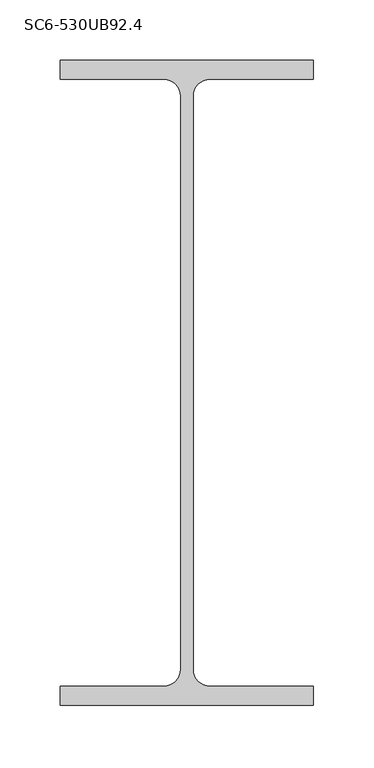
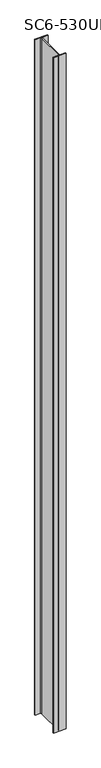
"""IFC4 building model written with IfcOpenShell, lengths in millimetres: column geometry, SC6-530UB92.4."""

import ifcopenshell
import ifcopenshell.guid

model = None  # the IFC model being written
_history = None  # IfcOwnerHistory: only IFC2X3 demands one
_inside = {}  # id of a spatial element -> (the spatial element, [elements in it])
_under = {}  # id of a project, library or spatial element -> (it, [spatial elements below it])
_declared = {}  # id of a project -> (the project, [libraries it declares])
_typed = {}  # id of a type object -> (the type object, [elements of that type])
_made_of = {}  # id of a material, layer set ... -> (it, [elements and type objects made of it])


def new_model(schema):
    """Start an empty IFC model of exactly this schema.

    Asked for "IFC4X3", IfcOpenShell would pick the latest addendum, in which some entities
    have other attributes; the version numbers below select the first issue.
    IFC2X3 requires an IfcOwnerHistory on every rooted entity: one is made here for all.
    """
    global model, _history
    if schema == "IFC4X3":
        model = ifcopenshell.file(schema_version=(4, 3, 0, 0))
    else:
        model = ifcopenshell.file(schema=schema)
    _inside.clear()
    _under.clear()
    _declared.clear()
    _typed.clear()
    _made_of.clear()
    _history = None
    if model.schema == "IFC2X3":
        org = make("IfcOrganization", Name="unknown")
        user = make(
            "IfcPersonAndOrganization",
            ThePerson=make("IfcPerson", FamilyName="unknown"),
            TheOrganization=org,
        )
        app = make(
            "IfcApplication",
            ApplicationDeveloper=org,
            Version="unknown",
            ApplicationFullName="unknown",
            ApplicationIdentifier="unknown",
        )
        _history = make(
            "IfcOwnerHistory",
            OwningUser=user,
            OwningApplication=app,
            ChangeAction="ADDED",
            CreationDate=0,
        )
    return model


def make(cls, **values):
    """One entity of the class cls with the attributes given. An attribute that is None is left unset."""
    return model.create_entity(
        cls, **{name: value for name, value in values.items() if value is not None}
    )


def rooted(cls, **values):
    """An entity with a GlobalId (a new one), such as an element, a storey or a relation."""
    return make(cls, GlobalId=ifcopenshell.guid.new(), OwnerHistory=_history, **values)


def si_unit(unit_type, name, prefix=None):
    """IfcSIUnit, for example si_unit("LENGTHUNIT", "METRE", prefix="MILLI")."""
    return make("IfcSIUnit", UnitType=unit_type, Prefix=prefix, Name=name)


def assignment(units):
    """IfcUnitAssignment: the units of a project."""
    return None if units is None else make("IfcUnitAssignment", Units=units)


def point(xyz):
    """IfcCartesianPoint."""
    return None if xyz is None else make("IfcCartesianPoint", Coordinates=xyz)


def direction(xyz):
    """IfcDirection."""
    return None if xyz is None else make("IfcDirection", DirectionRatios=xyz)


def frame(location, z_axis=None, x_axis=None):
    """IfcAxis2Placement3D, a coordinate frame: its origin and axes. An axis left out is left unset."""
    return make(
        "IfcAxis2Placement3D",
        Location=point(location),
        Axis=direction(z_axis),
        RefDirection=direction(x_axis),
    )


def frame_2d(location, x_axis=None):
    """IfcAxis2Placement2D, a coordinate frame in the plane: its origin and x axis."""
    return make(
        "IfcAxis2Placement2D", Location=point(location), RefDirection=direction(x_axis)
    )


def origin():
    """The frame at (0, 0, 0) with its axes left unset."""
    return frame((0.0, 0.0, 0.0))


def place(relative_to, where):
    """IfcLocalPlacement: puts the frame where relative to a parent placement (None: the world)."""
    return make(
        "IfcLocalPlacement", PlacementRelTo=relative_to, RelativePlacement=where
    )


def context(
    kind, dimensions, precision=None, world=None, true_north=None, identifier=None
):
    """IfcGeometricRepresentationContext, for example the 3D "Model" context."""
    return make(
        "IfcGeometricRepresentationContext",
        ContextIdentifier=identifier,
        ContextType=kind,
        CoordinateSpaceDimension=dimensions,
        Precision=precision,
        WorldCoordinateSystem=world,
        TrueNorth=true_north,
    )


def project(units=None, contexts=None):
    """IfcProject with its units and contexts."""
    return rooted(
        "IfcProject",
        Name="project",
        RepresentationContexts=contexts,
        UnitsInContext=assignment(units),
    )


def spatial(cls, under=None, at=None, **own):
    """A site, building, storey or space (cls), placed at a placement, below another one or the project."""
    s = rooted(cls, ObjectPlacement=at, **own)
    if under is not None:
        _under.setdefault(under.id(), (under, []))[1].append(s)
    return s


def polyline(points):
    """IfcPolyline through the points."""
    return make("IfcPolyline", Points=[point(p) for p in points])


def circle_curve(where, radius):
    """IfcCircle in the frame where."""
    return make("IfcCircle", Position=where, Radius=radius)


def trimmed(basis, trim1, trim2, sense, master):
    """IfcTrimmedCurve: the piece of a basis curve between two trims."""
    return make(
        "IfcTrimmedCurve",
        BasisCurve=basis,
        Trim1=trim1,
        Trim2=trim2,
        SenseAgreement=sense,
        MasterRepresentation=master,
    )


def segment(curve, same_sense, transition):
    """IfcCompositeCurveSegment."""
    return make(
        "IfcCompositeCurveSegment",
        Transition=transition,
        SameSense=same_sense,
        ParentCurve=curve,
    )


def composite_curve(segments, self_intersect=None):
    """IfcCompositeCurve: segments joined end to end."""
    return make("IfcCompositeCurve", Segments=segments, SelfIntersect=self_intersect)


def outline(outer, holes=None, kind="AREA"):
    """IfcArbitraryClosedProfileDef: a profile drawn as a closed curve; with holes, ...WithVoids."""
    if holes is None:
        return make("IfcArbitraryClosedProfileDef", ProfileType=kind, OuterCurve=outer)
    return make(
        "IfcArbitraryProfileDefWithVoids",
        ProfileType=kind,
        OuterCurve=outer,
        InnerCurves=holes,
    )


def extrude(swept, where, along, depth):
    """IfcExtrudedAreaSolid: the profile swept, set in the frame where, extruded along a direction by depth."""
    return make(
        "IfcExtrudedAreaSolid",
        SweptArea=swept,
        Position=where,
        ExtrudedDirection=direction(along),
        Depth=depth,
    )


def shape(context_of_items, identifier, shape_type, items):
    """IfcShapeRepresentation: the items that make up one representation, for example the "Body"."""
    return make(
        "IfcShapeRepresentation",
        ContextOfItems=context_of_items,
        RepresentationIdentifier=identifier,
        RepresentationType=shape_type,
        Items=items,
    )


def source(mapping_origin, context_of_items, identifier, shape_type, items):
    """IfcRepresentationMap: a shape defined once, which mapped items show again and again."""
    return make(
        "IfcRepresentationMap",
        MappingOrigin=mapping_origin,
        MappedRepresentation=shape(context_of_items, identifier, shape_type, items),
    )


def transform(
    local_origin,
    x_axis=None,
    y_axis=None,
    z_axis=None,
    scale=None,
    scale2=None,
    scale3=None,
    uniform=True,
):
    """IfcCartesianTransformationOperator3D, or its non-uniform kind. x_axis, y_axis, z_axis: its Axis1, 2, 3."""
    if uniform:
        return make(
            "IfcCartesianTransformationOperator3D",
            Axis1=direction(x_axis),
            Axis2=direction(y_axis),
            LocalOrigin=point(local_origin),
            Scale=scale,
            Axis3=direction(z_axis),
        )
    return make(
        "IfcCartesianTransformationOperator3DnonUniform",
        Axis1=direction(x_axis),
        Axis2=direction(y_axis),
        LocalOrigin=point(local_origin),
        Scale=scale,
        Axis3=direction(z_axis),
        Scale2=scale2,
        Scale3=scale3,
    )


def mapped(mapping_source, mapping_target):
    """IfcMappedItem: shows the shape of a source again, moved by a transform."""
    return make(
        "IfcMappedItem", MappingSource=mapping_source, MappingTarget=mapping_target
    )


def made_of(thing, what):
    """Note that an element or type object is made of a material, layer set ...; save() writes the relation."""
    if what is not None:
        _made_of.setdefault(what.id(), (what, []))[1].append(thing)
    return thing


def element(
    cls,
    number,
    at=None,
    inside=None,
    cuts=None,
    type_object=None,
    material=None,
    context=None,
    identifier="Body",
    shape_type=None,
    held_by="IfcProductDefinitionShape",
    body=None,
    shapes=None,
    **own,
):
    """One element of the class cls, such as IfcWall. Its Tag is "e" and its number.

    at: its placement. inside: the storey or other place that contains it. cuts: it is an
    opening in that element (IfcRelVoidsElement). A single representation is given by context,
    identifier, shape_type and body (its items); several are given by shapes. held_by: the class
    of the entity that holds the representations. save() writes the other relations.
    """
    e = rooted(cls, Tag="e%d" % number, ObjectPlacement=at, **own)
    if body is not None:
        shapes = [shape(context, identifier, shape_type, body)]
    if shapes is not None:
        e.Representation = make(held_by, Representations=shapes)
    if inside is not None:
        _inside.setdefault(inside.id(), (inside, []))[1].append(e)
    if cuts is not None:
        rooted(
            "IfcRelVoidsElement", RelatingBuildingElement=cuts, RelatedOpeningElement=e
        )
    if type_object is not None:
        _typed.setdefault(type_object.id(), (type_object, []))[1].append(e)
    return made_of(e, material)


def aggregate(whole, parts):
    """IfcRelAggregates: a whole, such as a stair, and the parts it consists of."""
    return rooted("IfcRelAggregates", RelatingObject=whole, RelatedObjects=parts)


def save(model, path):
    """Write the relations noted so far, then the file.

    IfcRelAggregates (storeys below a building ...), IfcRelContainedInSpatialStructure (elements
    in a storey), IfcRelDefinesByType, IfcRelAssociatesMaterial and IfcRelDeclares: one each for
    every whole, place, type object, material and project.
    """
    for whole, parts in _under.values():
        aggregate(whole, parts)
    for where, things in _inside.values():
        rooted(
            "IfcRelContainedInSpatialStructure",
            RelatedElements=things,
            RelatingStructure=where,
        )
    for kind, things in _typed.values():
        rooted("IfcRelDefinesByType", RelatedObjects=things, RelatingType=kind)
    for what, things in _made_of.values():
        rooted("IfcRelAssociatesMaterial", RelatedObjects=things, RelatingMaterial=what)
    for by, libraries in _declared.values():
        rooted("IfcRelDeclares", RelatingContext=by, RelatedDefinitions=libraries)
    model.write(path)


def sc6_530ub92_4_6fdf6d6e(model_context):
    return source(origin(), model_context, "Body", "SweptSolid", [
        extrude(outline(composite_curve([segment(polyline([(104.5, 266.5), (104.5, 250.9), (19.1, 250.9)]), True, "CONTINUOUS"), segment(trimmed(circle_curve(frame_2d((19.1, 236.9)), 14.0), [point((19.1, 250.9))], [point((5.1, 236.9))], True, "CARTESIAN"), True, "CONTINUOUS"), segment(polyline([(5.1, 236.9), (5.1, -236.9)]), True, "CONTINUOUS"), segment(trimmed(circle_curve(frame_2d((19.1, -236.9)), 14.0), [point((5.1, -236.9))], [point((19.1, -250.9))], True, "CARTESIAN"), True, "CONTINUOUS"), segment(polyline([(19.1, -250.9), (104.5, -250.9), (104.5, -266.5), (-104.5, -266.5), (-104.5, -250.9), (-19.1, -250.9)]), True, "CONTINUOUS"), segment(trimmed(circle_curve(frame_2d((-19.1, -236.9)), 14.0), [point((-19.1, -250.9))], [point((-5.1, -236.9))], True, "CARTESIAN"), True, "CONTINUOUS"), segment(polyline([(-5.1, -236.9), (-5.1, 236.9)]), True, "CONTINUOUS"), segment(trimmed(circle_curve(frame_2d((-19.1, 236.9)), 14.0), [point((-5.1, 236.9))], [point((-19.1, 250.9))], True, "CARTESIAN"), True, "CONTINUOUS"), segment(polyline([(-19.1, 250.9), (-104.5, 250.9), (-104.5, 266.5), (104.5, 266.5)]), True, "CONTINUOUS")], self_intersect=False)), frame((0.0, 0.0, 46800.0), z_axis=(0.0, 0.0, 1.0), x_axis=(1.0, 0.0, 0.0)), (0.0, 0.0, 1.0), 11787.494903),
    ])


if __name__ == "__main__":
    model = new_model("IFC4")
    model_context = context("Model", 3, world=origin())
    ifc_project = project(units=[si_unit("LENGTHUNIT", "METRE", prefix="MILLI")], contexts=[model_context])
    site = spatial("IfcSite", under=ifc_project)
    building = spatial("IfcBuilding", under=site)
    placement = place(None, origin())
    sc6_530ub92_4_shape = sc6_530ub92_4_6fdf6d6e(model_context)
    element("IfcColumn", 1, ObjectType="SC6-530UB92.4", at=placement, inside=building, context=model_context, shape_type="MappedRepresentation", body=[
        mapped(sc6_530ub92_4_shape, transform((0.0, 0.0, 0.0), x_axis=(1.0, 0.0, 0.0), y_axis=(0.0, 1.0, 0.0), z_axis=(0.0, 0.0, 1.0))),
    ])
    save(model, "model.ifc")
